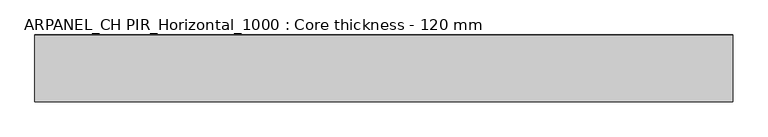
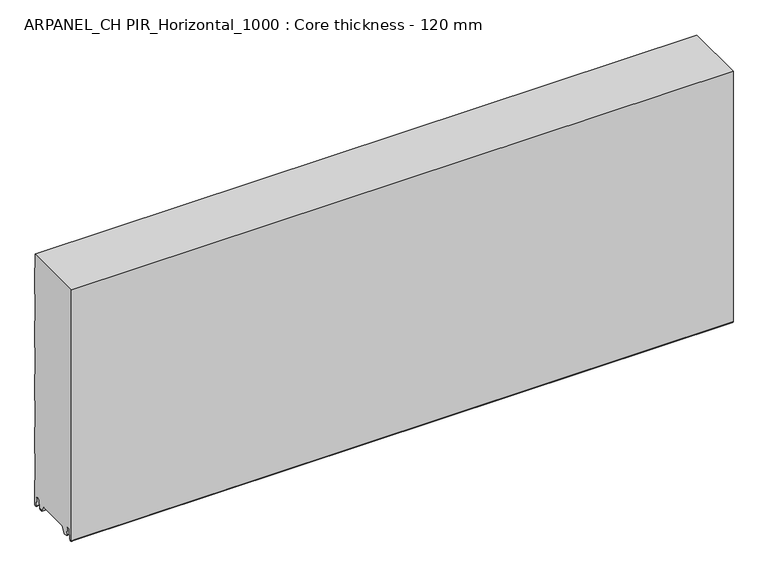
"""IFC4 building model written with IfcOpenShell, lengths in millimetres: plate geometry, ARPANEL_CH PIR_Horizontal_1000 : Core thickness - 120 mm."""

from ifc_helpers import new_model, si_unit, frame, origin, place, context, project, spatial, polyline, circle_curve, source, transform, mapped, element, save
from ifc_brep_helpers import plane_surface, cylinder_surface, revolved_surface, advanced_brep


def arpanel_ch_pir_horizontal_1000_core_thickness_120_mm_8cc81e5c(model_context):
    return source(origin(), model_context, "Body", "AdvancedBrep", [
        advanced_brep(
        [(620.0, -89.873448, 15.1417681), (620.0, -30.126552, 15.1417681), (620.0, -23.4071318, 3.165779), (620.0, -17.4169005, 3.165779), (620.0, -19.6169005, 5.365779), (620.0, -18.8169005, 5.365779), (620.0, -16.0235822, 5.2291629), (620.0, -14.6379549, 19.3608832), (620.0, -10.8223285, 22.7899182), (620.0, -7.0067021, 19.3608832), (620.0, -5.3893281, 2.8656275), (620.0, -0.8003051, 3.0900682), (620.0, -0.8, 49.9459237), (620.0, -1.0986697, 50.9973395), (620.0, -1.5003051, 52.4177205), (620.0, -1.5003051, 102.5775037), (620.0, -1.0971009, 103.9969151), (620.0, -0.8, 105.0493005), (620.0, -0.8, 155.2090837), (620.0, -1.0986697, 156.2604995), (620.0, -1.5003051, 157.6808805), (620.0, -1.5003051, 207.8406637), (620.0, -1.0971009, 209.2600751), (620.0, -0.8, 210.3124605), (620.0, -0.8, 260.4722437), (620.0, -1.0986697, 261.5236595), (620.0, -1.5003051, 262.9440405), (620.0, -1.5003051, 313.1038237), (620.0, -1.0971009, 314.5232351), (620.0, -0.8, 315.5756205), (620.0, -0.8, 365.7354037), (620.0, -1.0986697, 366.7868195), (620.0, -1.5003051, 368.2072005), (620.0, -1.5003051, 418.3669837), (620.0, -1.0971009, 419.7863951), (620.0, -0.8, 420.8387805), (620.0, -0.8, 470.9985637), (620.0, -1.0986697, 472.0499795), (620.0, -1.5003051, 473.4703605), (620.0, -1.5003051, 500.0), (620.0, -119.2, 500.0), (620.0, -119.2, 3.0900682), (620.0, -114.6106719, 2.8656275), (620.0, -112.9932979, 19.3608832), (620.0, -109.1776715, 22.7899182), (620.0, -105.3620451, 19.3608832), (620.0, -103.9764178, 5.2291629), (620.0, -101.1830995, 5.365779), (620.0, -100.3830995, 5.365779), (620.0, -102.5830995, 3.165779), (620.0, -96.5928682, 3.165779), (-620.0, -30.126552, 15.1417681), (-620.0, -89.873448, 15.1417681), (-620.0, -96.5928682, 3.165779), (-620.0, -102.5830995, 3.165779), (-620.0, -100.3830995, 5.365779), (-620.0, -101.1830995, 5.365779), (-620.0, -103.9764178, 5.2291629), (-620.0, -105.3620451, 19.3608832), (-620.0, -109.1776715, 22.7899182), (-620.0, -112.9932979, 19.3608832), (-620.0, -114.6106719, 2.8656275), (-620.0, -119.1996949, 3.0900682), (-620.0, -119.2, 500.0), (-620.0, -1.5003051, 500.0), (-620.0, -1.5003051, 473.4703605), (-620.0, -1.0971009, 472.0509491), (-620.0, -0.8, 470.9985637), (-620.0, -0.8, 420.8387805), (-620.0, -1.0986697, 419.7873646), (-620.0, -1.5003051, 418.3669837), (-620.0, -1.5003051, 368.2072005), (-620.0, -1.0971009, 366.7877891), (-620.0, -0.8, 365.7354037), (-620.0, -0.8, 315.5756205), (-620.0, -1.0986697, 314.5242046), (-620.0, -1.5003051, 313.1038237), (-620.0, -1.5003051, 262.9440405), (-620.0, -1.0971009, 261.5246291), (-620.0, -0.8, 260.4722437), (-620.0, -0.8, 210.3124605), (-620.0, -1.0986697, 209.2610446), (-620.0, -1.5003051, 207.8406637), (-620.0, -1.5003051, 157.6808805), (-620.0, -1.0971009, 156.2614691), (-620.0, -0.8, 155.2090837), (-620.0, -0.8, 105.0493005), (-620.0, -1.0986697, 103.9978846), (-620.0, -1.5003051, 102.5775037), (-620.0, -1.5003051, 52.4177205), (-620.0, -1.0971009, 50.9983091), (-620.0, -0.8, 49.9459237), (-620.0, -0.8, 3.0900682), (-620.0, -5.3893281, 2.8656275), (-620.0, -7.0067021, 19.3608832), (-620.0, -10.8223285, 22.7899182), (-620.0, -14.6379549, 19.3608832), (-620.0, -16.0235822, 5.2291629), (-620.0, -18.8169005, 5.365779), (-620.0, -19.6169005, 5.365779), (-620.0, -17.4169005, 3.165779), (-620.0, -23.4071318, 3.165779)],
        [
            (0, 1),
            (1, 2),
            (2, 3),
            (3, 4, circle_curve(frame((620.0, -17.4169005, 5.365779), z_axis=(-1.0, 0.0, 0.0), x_axis=(0.0, 0.0, -1.0)), 2.2)),
            (4, 5),
            (5, 6, circle_curve(frame((620.0, -17.4169005, 5.365779), z_axis=(1.0, 0.0, 0.0), x_axis=(0.0, 0.0, -1.0)), 1.4)),
            (6, 7),
            (7, 8, circle_curve(frame((620.0, -10.8560907, 18.9900682), z_axis=(-1.0, 0.0, 0.0), x_axis=(0.0, 0.0, -1.0)), 3.8)),
            (8, 9, circle_curve(frame((620.0, -10.7885662, 18.9900682), z_axis=(-1.0, 0.0, 0.0), x_axis=(0.0, 0.0, -1.0)), 3.8)),
            (9, 10),
            (10, 11, circle_curve(frame((620.0, -3.1003051, 3.0900682), z_axis=(1.0, 0.0, 0.0), x_axis=(0.0, 0.0, -1.0)), 2.3)),
            (11, 12),
            (12, 13, circle_curve(frame((620.0, -2.8, 49.9459237), z_axis=(1.0, 0.0, 0.0), x_axis=(0.0, 0.0, -1.0)), 2.0)),
            (13, 14, circle_curve(frame((620.0, 1.1996949, 52.4177205), z_axis=(-1.0, 0.0, 0.0), x_axis=(0.0, 0.0, -1.0)), 2.7)),
            (14, 15),
            (15, 16, circle_curve(frame((620.0, 1.1996949, 102.5775037), z_axis=(-1.0, 0.0, 0.0), x_axis=(0.0, 0.0, -1.0)), 2.7)),
            (16, 17, circle_curve(frame((620.0, -2.8, 105.0493005), z_axis=(1.0, 0.0, 0.0), x_axis=(0.0, 0.0, -1.0)), 2.0)),
            (17, 18),
            (18, 19, circle_curve(frame((620.0, -2.8, 155.2090837), z_axis=(1.0, 0.0, 0.0), x_axis=(0.0, 0.0, -1.0)), 2.0)),
            (19, 20, circle_curve(frame((620.0, 1.1996949, 157.6808805), z_axis=(-1.0, 0.0, 0.0), x_axis=(0.0, 0.0, -1.0)), 2.7)),
            (20, 21),
            (21, 22, circle_curve(frame((620.0, 1.1996949, 207.8406637), z_axis=(-1.0, 0.0, 0.0), x_axis=(0.0, 0.0, -1.0)), 2.7)),
            (22, 23, circle_curve(frame((620.0, -2.8, 210.3124605), z_axis=(1.0, 0.0, 0.0), x_axis=(0.0, 0.0, -1.0)), 2.0)),
            (23, 24),
            (24, 25, circle_curve(frame((620.0, -2.8, 260.4722437), z_axis=(1.0, 0.0, 0.0), x_axis=(0.0, 0.0, -1.0)), 2.0)),
            (25, 26, circle_curve(frame((620.0, 1.1996949, 262.9440405), z_axis=(-1.0, 0.0, 0.0), x_axis=(0.0, 0.0, -1.0)), 2.7)),
            (26, 27),
            (27, 28, circle_curve(frame((620.0, 1.1996949, 313.1038237), z_axis=(-1.0, 0.0, 0.0), x_axis=(0.0, 0.0, -1.0)), 2.7)),
            (28, 29, circle_curve(frame((620.0, -2.8, 315.5756205), z_axis=(1.0, 0.0, 0.0), x_axis=(0.0, 0.0, -1.0)), 2.0)),
            (29, 30),
            (30, 31, circle_curve(frame((620.0, -2.8, 365.7354037), z_axis=(1.0, 0.0, 0.0), x_axis=(0.0, 0.0, -1.0)), 2.0)),
            (31, 32, circle_curve(frame((620.0, 1.1996949, 368.2072005), z_axis=(-1.0, 0.0, 0.0), x_axis=(0.0, 0.0, -1.0)), 2.7)),
            (32, 33),
            (33, 34, circle_curve(frame((620.0, 1.1996949, 418.3669837), z_axis=(-1.0, 0.0, 0.0), x_axis=(0.0, 0.0, -1.0)), 2.7)),
            (34, 35, circle_curve(frame((620.0, -2.8, 420.8387805), z_axis=(1.0, 0.0, 0.0), x_axis=(0.0, 0.0, -1.0)), 2.0)),
            (35, 36),
            (36, 37, circle_curve(frame((620.0, -2.8, 470.9985637), z_axis=(1.0, 0.0, 0.0), x_axis=(0.0, 0.0, -1.0)), 2.0)),
            (37, 38, circle_curve(frame((620.0, 1.1996949, 473.4703605), z_axis=(-1.0, 0.0, 0.0), x_axis=(0.0, 0.0, -1.0)), 2.7)),
            (38, 39),
            (39, 40),
            (40, 41),
            (41, 42, circle_curve(frame((620.0, -116.8996949, 3.0900682), z_axis=(1.0, 0.0, 0.0), x_axis=(0.0, 0.0, -1.0)), 2.3)),
            (42, 43),
            (43, 44, circle_curve(frame((620.0, -109.2114338, 18.9900682), z_axis=(-1.0, 0.0, 0.0), x_axis=(0.0, 0.0, -1.0)), 3.8)),
            (44, 45, circle_curve(frame((620.0, -109.1439093, 18.9900682), z_axis=(-1.0, 0.0, 0.0), x_axis=(0.0, 0.0, -1.0)), 3.8)),
            (45, 46),
            (46, 47, circle_curve(frame((620.0, -102.5830995, 5.365779), z_axis=(1.0, 0.0, 0.0), x_axis=(0.0, 0.0, -1.0)), 1.4)),
            (47, 48),
            (48, 49, circle_curve(frame((620.0, -102.5830995, 5.365779), z_axis=(-1.0, 0.0, 0.0), x_axis=(0.0, 0.0, -1.0)), 2.2)),
            (49, 50),
            (50, 0),
            (51, 52),
            (52, 53),
            (53, 54),
            (54, 55, circle_curve(frame((-620.0, -102.5830995, 5.365779), z_axis=(1.0, 0.0, 0.0), x_axis=(0.0, 0.0, -1.0)), 2.2)),
            (55, 56),
            (56, 57, circle_curve(frame((-620.0, -102.5830995, 5.365779), z_axis=(-1.0, 0.0, 0.0), x_axis=(0.0, 0.0, -1.0)), 1.4)),
            (57, 58),
            (58, 59, circle_curve(frame((-620.0, -109.1439093, 18.9900682), z_axis=(1.0, 0.0, 0.0), x_axis=(0.0, 0.0, -1.0)), 3.8)),
            (59, 60, circle_curve(frame((-620.0, -109.2114338, 18.9900682), z_axis=(1.0, 0.0, 0.0), x_axis=(0.0, 0.0, -1.0)), 3.8)),
            (60, 61),
            (61, 62, circle_curve(frame((-620.0, -116.8996949, 3.0900682), z_axis=(-1.0, 0.0, 0.0), x_axis=(0.0, 0.0, -1.0)), 2.3)),
            (62, 63),
            (63, 64),
            (64, 65),
            (65, 66, circle_curve(frame((-620.0, 1.1996949, 473.4703605), z_axis=(1.0, 0.0, 0.0), x_axis=(0.0, 0.0, -1.0)), 2.7)),
            (66, 67, circle_curve(frame((-620.0, -2.8, 470.9985637), z_axis=(-1.0, 0.0, 0.0), x_axis=(0.0, 0.0, -1.0)), 2.0)),
            (67, 68),
            (68, 69, circle_curve(frame((-620.0, -2.8, 420.8387805), z_axis=(-1.0, 0.0, 0.0), x_axis=(0.0, 0.0, -1.0)), 2.0)),
            (69, 70, circle_curve(frame((-620.0, 1.1996949, 418.3669837), z_axis=(1.0, 0.0, 0.0), x_axis=(0.0, 0.0, -1.0)), 2.7)),
            (70, 71),
            (71, 72, circle_curve(frame((-620.0, 1.1996949, 368.2072005), z_axis=(1.0, 0.0, 0.0), x_axis=(0.0, 0.0, -1.0)), 2.7)),
            (72, 73, circle_curve(frame((-620.0, -2.8, 365.7354037), z_axis=(-1.0, 0.0, 0.0), x_axis=(0.0, 0.0, -1.0)), 2.0)),
            (73, 74),
            (74, 75, circle_curve(frame((-620.0, -2.8, 315.5756205), z_axis=(-1.0, 0.0, 0.0), x_axis=(0.0, 0.0, -1.0)), 2.0)),
            (75, 76, circle_curve(frame((-620.0, 1.1996949, 313.1038237), z_axis=(1.0, 0.0, 0.0), x_axis=(0.0, 0.0, -1.0)), 2.7)),
            (76, 77),
            (77, 78, circle_curve(frame((-620.0, 1.1996949, 262.9440405), z_axis=(1.0, 0.0, 0.0), x_axis=(0.0, 0.0, -1.0)), 2.7)),
            (78, 79, circle_curve(frame((-620.0, -2.8, 260.4722437), z_axis=(-1.0, 0.0, 0.0), x_axis=(0.0, 0.0, -1.0)), 2.0)),
            (79, 80),
            (80, 81, circle_curve(frame((-620.0, -2.8, 210.3124605), z_axis=(-1.0, 0.0, 0.0), x_axis=(0.0, 0.0, -1.0)), 2.0)),
            (81, 82, circle_curve(frame((-620.0, 1.1996949, 207.8406637), z_axis=(1.0, 0.0, 0.0), x_axis=(0.0, 0.0, -1.0)), 2.7)),
            (82, 83),
            (83, 84, circle_curve(frame((-620.0, 1.1996949, 157.6808805), z_axis=(1.0, 0.0, 0.0), x_axis=(0.0, 0.0, -1.0)), 2.7)),
            (84, 85, circle_curve(frame((-620.0, -2.8, 155.2090837), z_axis=(-1.0, 0.0, 0.0), x_axis=(0.0, 0.0, -1.0)), 2.0)),
            (85, 86),
            (86, 87, circle_curve(frame((-620.0, -2.8, 105.0493005), z_axis=(-1.0, 0.0, 0.0), x_axis=(0.0, 0.0, -1.0)), 2.0)),
            (87, 88, circle_curve(frame((-620.0, 1.1996949, 102.5775037), z_axis=(1.0, 0.0, 0.0), x_axis=(0.0, 0.0, -1.0)), 2.7)),
            (88, 89),
            (89, 90, circle_curve(frame((-620.0, 1.1996949, 52.4177205), z_axis=(1.0, 0.0, 0.0), x_axis=(0.0, 0.0, -1.0)), 2.7)),
            (90, 91, circle_curve(frame((-620.0, -2.8, 49.9459237), z_axis=(-1.0, 0.0, 0.0), x_axis=(0.0, 0.0, -1.0)), 2.0)),
            (91, 92),
            (92, 93, circle_curve(frame((-620.0, -3.1003051, 3.0900682), z_axis=(-1.0, 0.0, 0.0), x_axis=(0.0, 0.0, -1.0)), 2.3)),
            (93, 94),
            (94, 95, circle_curve(frame((-620.0, -10.7885662, 18.9900682), z_axis=(1.0, 0.0, 0.0), x_axis=(0.0, 0.0, -1.0)), 3.8)),
            (95, 96, circle_curve(frame((-620.0, -10.8560907, 18.9900682), z_axis=(1.0, 0.0, 0.0), x_axis=(0.0, 0.0, -1.0)), 3.8)),
            (96, 97),
            (97, 98, circle_curve(frame((-620.0, -17.4169005, 5.365779), z_axis=(-1.0, 0.0, 0.0), x_axis=(0.0, 0.0, -1.0)), 1.4)),
            (98, 99),
            (99, 100, circle_curve(frame((-620.0, -17.4169005, 5.365779), z_axis=(1.0, 0.0, 0.0), x_axis=(0.0, 0.0, -1.0)), 2.2)),
            (100, 101),
            (101, 51),
            (1, 51),
            (101, 2),
            (0, 52),
            (50, 53),
            (99, 4),
            (3, 100),
            (98, 5),
            (97, 6),
            (96, 7),
            (95, 8),
            (94, 9),
            (93, 10),
            (92, 11),
            (91, 12),
            (90, 13),
            (89, 14),
            (88, 15),
            (87, 16),
            (86, 17),
            (85, 18),
            (84, 19),
            (83, 20),
            (82, 21),
            (81, 22),
            (80, 23),
            (79, 24),
            (78, 25),
            (77, 26),
            (76, 27),
            (75, 28),
            (74, 29),
            (73, 30),
            (72, 31),
            (71, 32),
            (70, 33),
            (69, 34),
            (68, 35),
            (67, 36),
            (66, 37),
            (65, 38),
            (64, 39),
            (62, 41),
            (40, 63),
            (61, 42),
            (60, 43),
            (59, 44),
            (58, 45),
            (57, 46),
            (56, 47),
            (55, 48),
            (54, 49),
        ],
        [
            plane_surface(frame((620.0, 0.0, 0.0), z_axis=(1.0, 0.0, 0.0), x_axis=(0.0, -1.0, 0.0))),
            plane_surface(frame((-620.0, 0.0, 0.0), z_axis=(-1.0, 0.0, 0.0), x_axis=(0.0, -1.0, 0.0))),
            plane_surface(frame((620.0, -30.126552, 15.1417681), z_axis=(0.0, -0.8721062992196836, -0.4893164649399687), x_axis=(-1.0, 0.0, 0.0))),
            plane_surface(frame((620.0, -89.873448, 15.1417681), z_axis=(0.0, 0.0, -1.0), x_axis=(-1.0, 0.0, 0.0))),
            plane_surface(frame((620.0, -96.8190247, 2.7627014), z_axis=(0.0, 0.8721062992196852, -0.48931646493996606), x_axis=(-1.0, 0.0, 0.0))),
            revolved_surface(polyline([(620.0, -17.4169005, 3.1657789999999997), (-620.0, -17.4169005, 3.1657789999999997)]), (750.0, -17.4169005, 5.365779), (1.0, 0.0, 0.0)),
            plane_surface(frame((750.0, -18.8169005, 5.365779), z_axis=(0.0, 0.0, -1.0), x_axis=(-1.0, 0.0, 0.0))),
            cylinder_surface(frame((750.0, -17.4169005, 5.365779), z_axis=(-1.0, 0.0, 0.0), x_axis=(0.0, 0.0, -1.0)), 1.4),
            plane_surface(frame((750.0, -14.6379549, 19.3608832), z_axis=(0.0, 0.9952273999818297, -0.09758289975916531), x_axis=(-1.0, 0.0, 0.0))),
            revolved_surface(polyline([(620.0, -10.8560907, 15.190068199999999), (-620.0, -10.8560907, 15.190068199999999)]), (750.0, -10.8560907, 18.9900682), (1.0, 0.0, 0.0)),
            revolved_surface(polyline([(620.0, -10.7885662, 15.190068199999999), (-620.0, -10.7885662, 15.190068199999999)]), (750.0, -10.7885662, 18.9900682), (1.0, 0.0, 0.0)),
            plane_surface(frame((750.0, -5.3893281, 2.8656275), z_axis=(0.0, -0.9952273999818314, -0.09758289975914787), x_axis=(-1.0, 0.0, 0.0))),
            cylinder_surface(frame((750.0, -3.1003051, 3.0900682), z_axis=(-1.0, 0.0, 0.0), x_axis=(0.0, 0.0, -1.0)), 2.3),
            plane_surface(frame((750.0, -0.8, 49.9459237), z_axis=(0.0, 1.0, 0.0), x_axis=(-1.0, 0.0, 0.0))),
            cylinder_surface(frame((750.0, -2.8, 49.9459237), z_axis=(-1.0, 0.0, 0.0), x_axis=(0.0, 0.0, -1.0)), 2.0),
            revolved_surface(polyline([(620.0, 1.1996949, 49.7177205), (-620.0, 1.1996949, 49.7177205)]), (750.0, 1.1996949, 52.4177205), (1.0, 0.0, 0.0)),
            plane_surface(frame((750.0, -1.5003051, 102.5775037), z_axis=(0.0, 1.0, 0.0), x_axis=(-1.0, 0.0, 0.0))),
            revolved_surface(polyline([(620.0, 1.1996949, 99.87750369999999), (-620.0, 1.1996949, 99.87750369999999)]), (750.0, 1.1996949, 102.5775037), (1.0, 0.0, 0.0)),
            cylinder_surface(frame((750.0, -2.8, 105.0493005), z_axis=(-1.0, 0.0, 0.0), x_axis=(0.0, 0.0, -1.0)), 2.0),
            plane_surface(frame((750.0, -0.8, 155.2090837), z_axis=(0.0, 1.0, 0.0), x_axis=(-1.0, 0.0, 0.0))),
            cylinder_surface(frame((750.0, -2.8, 155.2090837), z_axis=(-1.0, 0.0, 0.0), x_axis=(0.0, 0.0, -1.0)), 2.0),
            revolved_surface(polyline([(620.0, 1.1996949, 154.9808805), (-620.0, 1.1996949, 154.9808805)]), (750.0, 1.1996949, 157.6808805), (1.0, 0.0, 0.0)),
            plane_surface(frame((750.0, -1.5003051, 207.8406637), z_axis=(0.0, 1.0, 0.0), x_axis=(-1.0, 0.0, 0.0))),
            revolved_surface(polyline([(620.0, 1.1996949, 205.1406637), (-620.0, 1.1996949, 205.1406637)]), (750.0, 1.1996949, 207.8406637), (1.0, 0.0, 0.0)),
            cylinder_surface(frame((750.0, -2.8, 210.3124605), z_axis=(-1.0, 0.0, 0.0), x_axis=(0.0, 0.0, -1.0)), 2.0),
            plane_surface(frame((750.0, -0.8, 260.4722437), z_axis=(0.0, 1.0, 0.0), x_axis=(-1.0, 0.0, 0.0))),
            cylinder_surface(frame((750.0, -2.8, 260.4722437), z_axis=(-1.0, 0.0, 0.0), x_axis=(0.0, 0.0, -1.0)), 2.0),
            revolved_surface(polyline([(620.0, 1.1996949, 260.24404050000004), (-620.0, 1.1996949, 260.24404050000004)]), (750.0, 1.1996949, 262.9440405), (1.0, 0.0, 0.0)),
            plane_surface(frame((750.0, -1.5003051, 313.1038237), z_axis=(0.0, 1.0, 0.0), x_axis=(-1.0, 0.0, 0.0))),
            revolved_surface(polyline([(620.0, 1.1996949, 310.40382370000003), (-620.0, 1.1996949, 310.40382370000003)]), (750.0, 1.1996949, 313.1038237), (1.0, 0.0, 0.0)),
            cylinder_surface(frame((750.0, -2.8, 315.5756205), z_axis=(-1.0, 0.0, 0.0), x_axis=(0.0, 0.0, -1.0)), 2.0),
            plane_surface(frame((750.0, -0.8, 365.7354037), z_axis=(0.0, 1.0, 0.0), x_axis=(-1.0, 0.0, 0.0))),
            cylinder_surface(frame((750.0, -2.8, 365.7354037), z_axis=(-1.0, 0.0, 0.0), x_axis=(0.0, 0.0, -1.0)), 2.0),
            revolved_surface(polyline([(620.0, 1.1996949, 365.5072005), (-620.0, 1.1996949, 365.5072005)]), (750.0, 1.1996949, 368.2072005), (1.0, 0.0, 0.0)),
            plane_surface(frame((750.0, -1.5003051, 418.3669837), z_axis=(0.0, 1.0, 0.0), x_axis=(-1.0, 0.0, 0.0))),
            revolved_surface(polyline([(620.0, 1.1996949, 415.6669837), (-620.0, 1.1996949, 415.6669837)]), (750.0, 1.1996949, 418.3669837), (1.0, 0.0, 0.0)),
            cylinder_surface(frame((750.0, -2.8, 420.8387805), z_axis=(-1.0, 0.0, 0.0), x_axis=(0.0, 0.0, -1.0)), 2.0),
            plane_surface(frame((750.0, -0.8, 470.9985637), z_axis=(0.0, 1.0, 0.0), x_axis=(-1.0, 0.0, 0.0))),
            cylinder_surface(frame((750.0, -2.8, 470.9985637), z_axis=(-1.0, 0.0, 0.0), x_axis=(0.0, 0.0, -1.0)), 2.0),
            revolved_surface(polyline([(620.0, 1.1996949, 470.77036050000004), (-620.0, 1.1996949, 470.77036050000004)]), (750.0, 1.1996949, 473.4703605), (1.0, 0.0, 0.0)),
            plane_surface(frame((750.0, -1.5003051, 523.6301437), z_axis=(0.0, 1.0, 0.0), x_axis=(-1.0, 0.0, 0.0))),
            plane_surface(frame((750.0, -119.2, 3.0900682), z_axis=(0.0, -1.0, 0.0), x_axis=(-1.0, 0.0, 0.0))),
            cylinder_surface(frame((750.0, -116.8996949, 3.0900682), z_axis=(-1.0, 0.0, 0.0), x_axis=(0.0, 0.0, -1.0)), 2.3),
            plane_surface(frame((750.0, -112.9932979, 19.3608832), z_axis=(0.0, 0.9952273999818314, -0.09758289975914787), x_axis=(-1.0, 0.0, 0.0))),
            revolved_surface(polyline([(620.0, -109.2114338, 15.190068199999999), (-620.0, -109.2114338, 15.190068199999999)]), (750.0, -109.2114338, 18.9900682), (1.0, 0.0, 0.0)),
            revolved_surface(polyline([(620.0, -109.1439093, 15.190068199999999), (-620.0, -109.1439093, 15.190068199999999)]), (750.0, -109.1439093, 18.9900682), (1.0, 0.0, 0.0)),
            plane_surface(frame((750.0, -103.9764178, 5.2291629), z_axis=(0.0, -0.9952273999818297, -0.09758289975916531), x_axis=(-1.0, 0.0, 0.0))),
            cylinder_surface(frame((750.0, -102.5830995, 5.365779), z_axis=(-1.0, 0.0, 0.0), x_axis=(0.0, 0.0, -1.0)), 1.4),
            plane_surface(frame((750.0, -100.3830995, 5.365779), z_axis=(0.0, 0.0, -1.0), x_axis=(-1.0, 0.0, 0.0))),
            revolved_surface(polyline([(620.0, -102.5830995, 3.1657789999999997), (-620.0, -102.5830995, 3.1657789999999997)]), (750.0, -102.5830995, 5.365779), (1.0, 0.0, 0.0)),
            plane_surface(frame((-620.0, -102.5830995, 3.165779), z_axis=(0.0, 0.0, -1.0), x_axis=(1.0, 0.0, 0.0))),
            plane_surface(frame((-620.0, 134.0533409, 500.0), z_axis=(0.0, 0.0, 1.0), x_axis=(1.0, 0.0, 0.0))),
        ],
        [
            (0, [[1, 2, 3, 4, 5, 6, 7, 8, 9, 10, 11, 12, 13, 14, 15, 16, 17, 18, 19, 20, 21, 22, 23, 24, 25, 26, 27, 28, 29, 30, 31, 32, 33, 34, 35, 36, 37, 38, 39, 40, 41, 42, 43, 44, 45, 46, 47, 48, 49, 50, 51]]),
            (1, [[52, 53, 54, 55, 56, 57, 58, 59, 60, 61, 62, 63, 64, 65, 66, 67, 68, 69, 70, 71, 72, 73, 74, 75, 76, 77, 78, 79, 80, 81, 82, 83, 84, 85, 86, 87, 88, 89, 90, 91, 92, 93, 94, 95, 96, 97, 98, 99, 100, 101, 102]]),
            (2, [[103, -102, 104, -2]]),
            (3, [[-1, 105, -52, -103]]),
            (4, [[-105, -51, 106, -53]]),
            (5, [[107, -4, 108, -100]]),
            (6, [[-107, -99, 109, -5]]),
            (7, [[-109, -98, 110, -6]]),
            (8, [[-110, -97, 111, -7]]),
            (9, [[-111, -96, 112, -8]]),
            (10, [[-112, -95, 113, -9]]),
            (11, [[-113, -94, 114, -10]]),
            (12, [[-114, -93, 115, -11]]),
            (13, [[-115, -92, 116, -12]]),
            (14, [[-116, -91, 117, -13]]),
            (15, [[-117, -90, 118, -14]]),
            (16, [[-118, -89, 119, -15]]),
            (17, [[-119, -88, 120, -16]]),
            (18, [[-120, -87, 121, -17]]),
            (19, [[-121, -86, 122, -18]]),
            (20, [[-122, -85, 123, -19]]),
            (21, [[-123, -84, 124, -20]]),
            (22, [[-124, -83, 125, -21]]),
            (23, [[-125, -82, 126, -22]]),
            (24, [[-126, -81, 127, -23]]),
            (25, [[-127, -80, 128, -24]]),
            (26, [[-128, -79, 129, -25]]),
            (27, [[-129, -78, 130, -26]]),
            (28, [[-130, -77, 131, -27]]),
            (29, [[-131, -76, 132, -28]]),
            (30, [[-132, -75, 133, -29]]),
            (31, [[-133, -74, 134, -30]]),
            (32, [[-134, -73, 135, -31]]),
            (33, [[-135, -72, 136, -32]]),
            (34, [[-136, -71, 137, -33]]),
            (35, [[-137, -70, 138, -34]]),
            (36, [[-138, -69, 139, -35]]),
            (37, [[-139, -68, 140, -36]]),
            (38, [[-140, -67, 141, -37]]),
            (39, [[-141, -66, 142, -38]]),
            (40, [[-142, -65, 143, -39]]),
            (41, [[144, -41, 145, -63]]),
            (42, [[-144, -62, 146, -42]]),
            (43, [[-146, -61, 147, -43]]),
            (44, [[-147, -60, 148, -44]]),
            (45, [[-148, -59, 149, -45]]),
            (46, [[-149, -58, 150, -46]]),
            (47, [[-150, -57, 151, -47]]),
            (48, [[-151, -56, 152, -48]]),
            (49, [[-152, -55, 153, -49]]),
            (50, [[-3, -104, -101, -108]]),
            (50, [[-50, -153, -54, -106]]),
            (51, [[-143, -64, -145, -40]]),
        ],
    ),
    ])


if __name__ == "__main__":
    model = new_model("IFC4")
    model_context = context("Model", 3, world=origin())
    ifc_project = project(units=[si_unit("LENGTHUNIT", "METRE", prefix="MILLI")], contexts=[model_context])
    site = spatial("IfcSite", under=ifc_project)
    building = spatial("IfcBuilding", under=site)
    placement = place(None, origin())
    arpanel_ch_pir_horizontal_1000_core_thickness_120_mm_shape = arpanel_ch_pir_horizontal_1000_core_thickness_120_mm_8cc81e5c(model_context)
    element("IfcPlate", 1, ObjectType="ARPANEL_CH PIR_Horizontal_1000 : Core thickness - 120 mm", at=placement, inside=building, context=model_context, shape_type="MappedRepresentation", body=[
        mapped(arpanel_ch_pir_horizontal_1000_core_thickness_120_mm_shape, transform((0.0, 0.0, 0.0), x_axis=(1.0, 0.0, 0.0), y_axis=(0.0, 1.0, 0.0), z_axis=(0.0, 0.0, 1.0))),
    ])
    save(model, "model.ifc")
